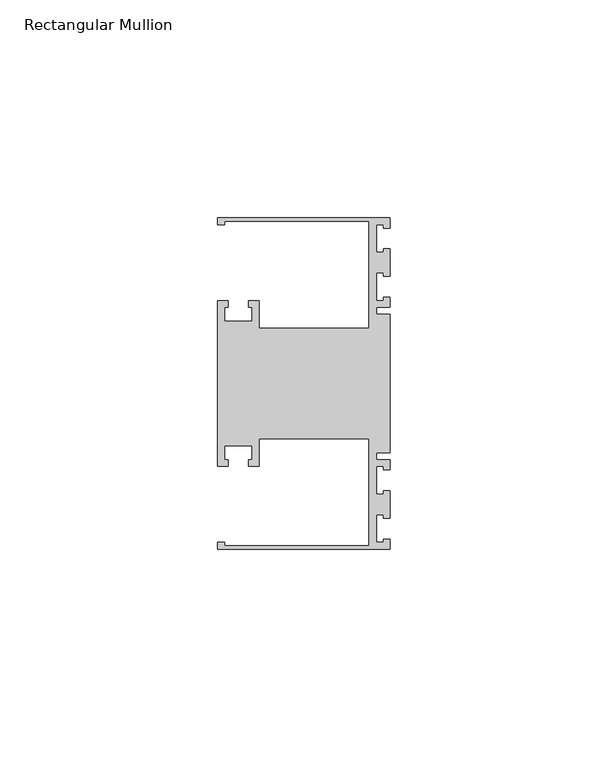
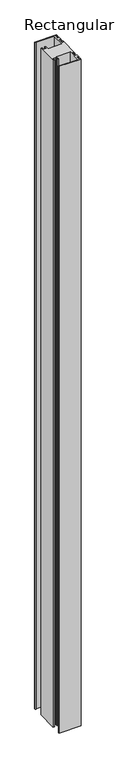
"""IFC4 building model written with IfcOpenShell, lengths in millimetres: member geometry, Rectangular Mullion."""

from ifc_helpers import new_model, si_unit, frame, origin, place, context, project, spatial, polyline, outline, extrude, source, transform, mapped, element, save


def rectangular_mullion_6a9a2ed3(model_context):
    return source(origin(), model_context, "Body", "SweptSolid", [
        extrude(outline(polyline([(0.0, 38.1), (0.0, 35.71875), (-1.4999946, 35.71875), (-1.4999946, 36.5125), (-3.175, 36.5125), (-3.175, 30.1625), (-1.4999946, 30.1625), (-1.4999946, 30.95625), (0.0, 30.95625), (0.0, 24.60625), (-1.4999946, 24.60625), (-1.4999946, 25.4), (-3.175, 25.4), (-3.175, 19.05), (-1.4999946, 19.05), (-1.4999946, 19.84375), (0.0, 19.84375), (0.0, 17.4625), (-3.175, 17.4625), (-3.175, 15.875), (0.0, 15.875), (0.0, -15.875), (-3.175, -15.875), (-3.175, -17.4625), (0.0, -17.4625), (0.0, -19.84375), (-1.4999946, -19.84375), (-1.4999946, -19.05), (-3.175, -19.05), (-3.175, -25.4), (-1.4999946, -25.4), (-1.4999946, -24.60625), (0.0, -24.60625), (0.0, -30.95625), (-1.4999946, -30.95625), (-1.4999946, -30.1625), (-3.175, -30.1625), (-3.175, -36.5125), (-1.4999946, -36.5125), (-1.4999946, -35.71875), (0.0, -35.71875), (0.0, -38.1), (-39.6875, -38.1), (-39.6875, -36.5125), (-38.1, -36.5125), (-38.1, -37.30625), (-4.8585733, -37.30625), (-4.8585733, -12.6999969), (-30.1625, -12.6999969), (-30.1625, -19.05), (-32.54375, -19.05), (-32.54375, -17.4625), (-31.75, -17.4625), (-31.75, -14.2875), (-38.1, -14.2875), (-38.1, -17.4625), (-37.30625, -17.4625), (-37.30625, -19.05), (-39.6875, -19.05), (-39.6875, 19.05), (-37.30625, 19.05), (-37.30625, 17.4625), (-38.1, 17.4625), (-38.1, 14.2875), (-31.75, 14.2875), (-31.75, 17.4625), (-32.54375, 17.4625), (-32.54375, 19.05), (-30.1625, 19.05), (-30.1625, 12.6999969), (-4.8585733, 12.6999969), (-4.8585733, 37.30625), (-38.1, 37.30625), (-38.1, 36.5125), (-39.6875, 36.5125), (-39.6875, 38.1), (0.0, 38.1)])), frame((0.0, 0.0, -1270.0), z_axis=(0.0, 0.0, 1.0), x_axis=(1.0, 0.0, 0.0)), (0.0, 0.0, 1.0), 1270.0),
    ])


if __name__ == "__main__":
    model = new_model("IFC4")
    model_context = context("Model", 3, world=origin())
    ifc_project = project(units=[si_unit("LENGTHUNIT", "METRE", prefix="MILLI")], contexts=[model_context])
    site = spatial("IfcSite", under=ifc_project)
    building = spatial("IfcBuilding", under=site)
    placement = place(None, origin())
    rectangular_mullion_shape = rectangular_mullion_6a9a2ed3(model_context)
    element("IfcMember", 1, ObjectType="Rectangular Mullion", at=placement, inside=building, context=model_context, shape_type="MappedRepresentation", body=[
        mapped(rectangular_mullion_shape, transform((0.0, 0.0, 0.0), x_axis=(1.0, 0.0, 0.0), y_axis=(0.0, 1.0, 0.0), z_axis=(0.0, 0.0, 1.0))),
    ])
    save(model, "model.ifc")
